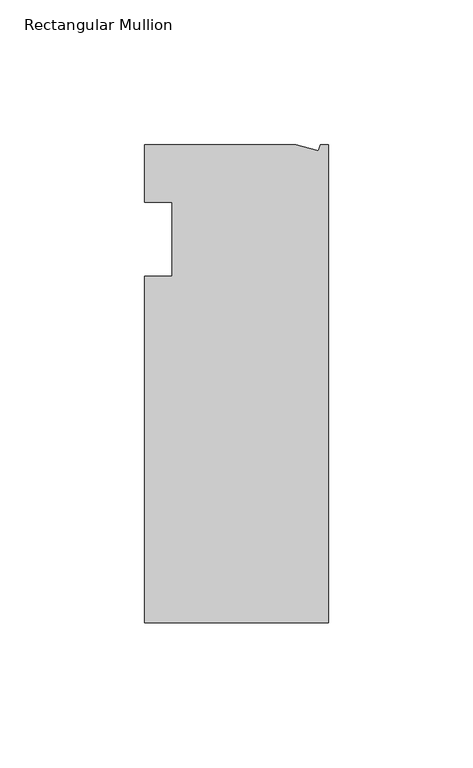
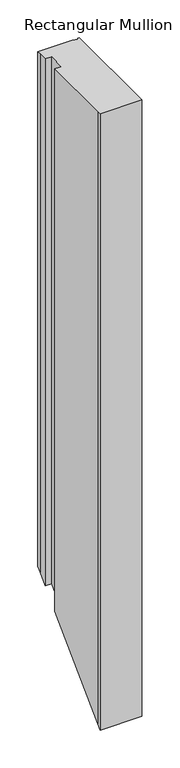
"""IFC4 building model written with IfcOpenShell, lengths in millimetres: member geometry, Rectangular Mullion."""

from ifc_helpers import new_model, si_unit, origin, place, context, project, spatial, faceted_brep, source, transform, mapped, element, save


def rectangular_mullion_0f204054(model_context):
    return source(origin(), model_context, "Body", "Brep", [
        faceted_brep([(0.0, -132.5561012, 0.0), (0.0, 32.5438988, 0.0), (-2.7630634, 32.5438988, 0.0), (-3.3223696, 30.4565397, 0.0), (-11.1125, 32.5438988, 0.0), (-63.5076469, 32.5438988, 0.0), (-63.5076469, 26.1938988, 0.0), (-63.5, 12.7, 0.0), (-53.975, 12.7, 0.0), (-53.975, -12.8488281, 0.0), (-63.5, -12.8488281, 0.0), (-63.5, -126.2061012, 0.0), (-63.5, -132.5561012, 0.0), (0.0, -132.5561012, -996.1561012), (0.0, 32.5438988, -831.0561012), (-2.7630634, 32.5438988, -831.0561012), (-3.3223696, 30.4565397, -833.1434603), (-11.1125, 32.5438988, -831.0561012), (-63.5076469, 32.5438988, -831.0561012), (-63.5076469, 26.1938988, -837.4061012), (-63.5, 12.7, -850.9), (-53.975, 12.7, -850.9), (-53.975, -12.8488281, -876.4488281), (-63.5, -12.8488281, -876.4488281), (-63.5, -126.2061012, -989.8061012), (-63.5, -132.5561012, -996.1561012)], [[[0, 1, 2, 3, 4, 5, 6, 7, 8, 9, 10, 11, 12]], [[1, 0, 13, 14]], [[2, 1, 14, 15]], [[3, 2, 15, 16]], [[4, 3, 16, 17]], [[5, 4, 17, 18]], [[6, 5, 18, 19]], [[7, 6, 19, 20]], [[8, 7, 20, 21]], [[9, 8, 21, 22]], [[10, 9, 22, 23]], [[11, 10, 23, 24]], [[12, 11, 24, 25]], [[0, 12, 25, 13]], [[13, 25, 24, 23, 22, 21, 20, 19, 18, 17, 16, 15, 14]]]),
    ])


if __name__ == "__main__":
    model = new_model("IFC4")
    model_context = context("Model", 3, world=origin())
    ifc_project = project(units=[si_unit("LENGTHUNIT", "METRE", prefix="MILLI")], contexts=[model_context])
    site = spatial("IfcSite", under=ifc_project)
    building = spatial("IfcBuilding", under=site)
    placement = place(None, origin())
    rectangular_mullion_shape = rectangular_mullion_0f204054(model_context)
    element("IfcMember", 1, ObjectType="Rectangular Mullion", at=placement, inside=building, context=model_context, shape_type="MappedRepresentation", body=[
        mapped(rectangular_mullion_shape, transform((0.0, 0.0, 0.0), x_axis=(1.0, 0.0, 0.0), y_axis=(0.0, 1.0, 0.0), z_axis=(0.0, 0.0, 1.0))),
    ])
    save(model, "model.ifc")
